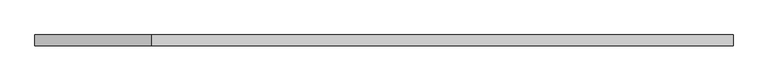
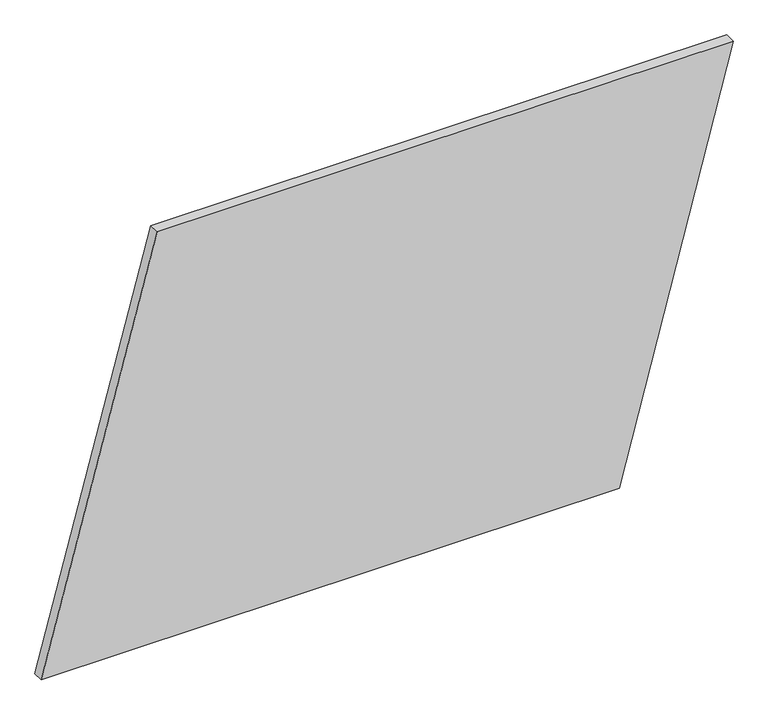
"""IFC4 building model written with IfcOpenShell, lengths in millimetres: plate geometry."""

from ifc_helpers import new_model, si_unit, frame, origin, place, context, project, spatial, polyline, outline, extrude, source, transform, mapped, element, save


def plate_87a79174(model_context):
    return source(origin(), model_context, "Body", "SweptSolid", [
        extrude(outline(polyline([(0.0, -798.9472772), (0.0, 536.0306007), (1000.0, 798.9472772), (1000.0, -530.9980848), (0.0, -798.9472772)])), frame((0.0, 24.5, 0.0), z_axis=(0.0, 1.0, 0.0), x_axis=(0.0, 0.0, 1.0)), (0.0, 0.0, 1.0), 25.0),
    ])


if __name__ == "__main__":
    model = new_model("IFC4")
    model_context = context("Model", 3, world=origin())
    ifc_project = project(units=[si_unit("LENGTHUNIT", "METRE", prefix="MILLI")], contexts=[model_context])
    site = spatial("IfcSite", under=ifc_project)
    building = spatial("IfcBuilding", under=site)
    placement = place(None, origin())
    plate_shape = plate_87a79174(model_context)
    element("IfcPlate", 1, at=placement, inside=building, context=model_context, shape_type="MappedRepresentation", body=[
        mapped(plate_shape, transform((0.0, 0.0, 0.0), x_axis=(1.0, 0.0, 0.0), y_axis=(0.0, 1.0, 0.0), z_axis=(0.0, 0.0, 1.0))),
    ])
    save(model, "model.ifc")
